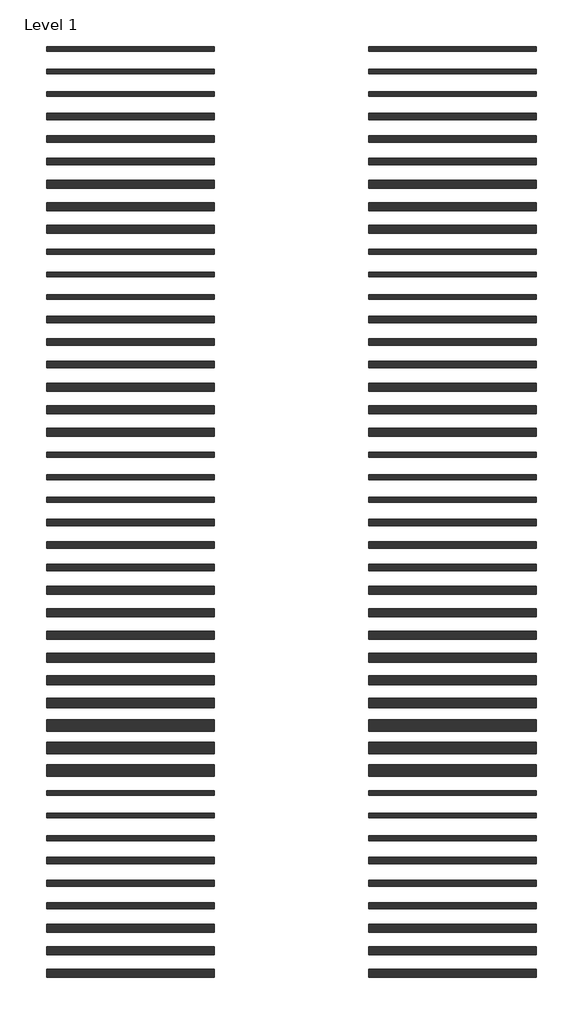
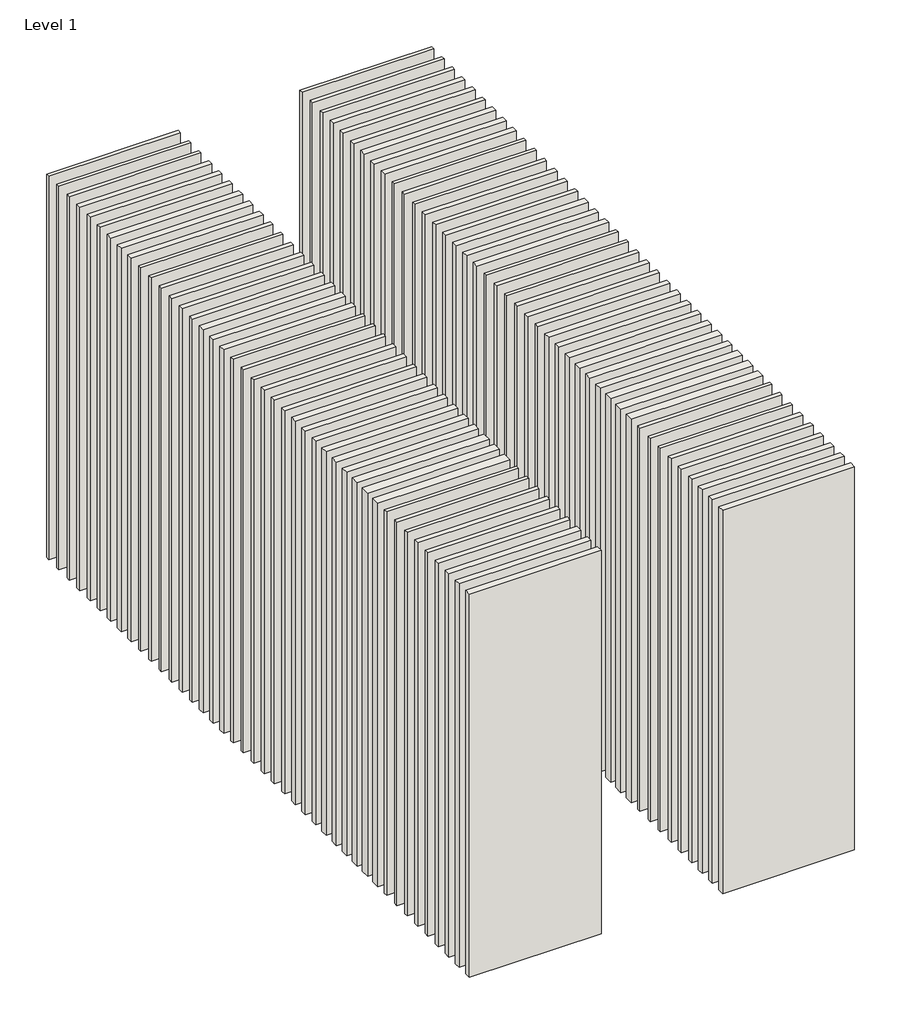
# One storey: 84 walls.
"""IFC4 building model written with IfcOpenShell, lengths in millimetres."""

import ifcopenshell
import ifcopenshell.guid

model = None  # the IFC model being written
_history = None  # IfcOwnerHistory: only IFC2X3 demands one
_inside = {}  # id of a spatial element -> (the spatial element, [elements in it])
_under = {}  # id of a project, library or spatial element -> (it, [spatial elements below it])
_declared = {}  # id of a project -> (the project, [libraries it declares])
_typed = {}  # id of a type object -> (the type object, [elements of that type])
_made_of = {}  # id of a material, layer set ... -> (it, [elements and type objects made of it])


def new_model(schema):
    """Start an empty IFC model of exactly this schema.

    Asked for "IFC4X3", IfcOpenShell would pick the latest addendum, in which some entities
    have other attributes; the version numbers below select the first issue.
    IFC2X3 requires an IfcOwnerHistory on every rooted entity: one is made here for all.
    """
    global model, _history
    if schema == "IFC4X3":
        model = ifcopenshell.file(schema_version=(4, 3, 0, 0))
    else:
        model = ifcopenshell.file(schema=schema)
    _inside.clear()
    _under.clear()
    _declared.clear()
    _typed.clear()
    _made_of.clear()
    _history = None
    if model.schema == "IFC2X3":
        org = make("IfcOrganization", Name="unknown")
        user = make(
            "IfcPersonAndOrganization",
            ThePerson=make("IfcPerson", FamilyName="unknown"),
            TheOrganization=org,
        )
        app = make(
            "IfcApplication",
            ApplicationDeveloper=org,
            Version="unknown",
            ApplicationFullName="unknown",
            ApplicationIdentifier="unknown",
        )
        _history = make(
            "IfcOwnerHistory",
            OwningUser=user,
            OwningApplication=app,
            ChangeAction="ADDED",
            CreationDate=0,
        )
    return model


def make(cls, **values):
    """One entity of the class cls with the attributes given. An attribute that is None is left unset."""
    return model.create_entity(
        cls, **{name: value for name, value in values.items() if value is not None}
    )


def rooted(cls, **values):
    """An entity with a GlobalId (a new one), such as an element, a storey or a relation."""
    return make(cls, GlobalId=ifcopenshell.guid.new(), OwnerHistory=_history, **values)


def si_unit(unit_type, name, prefix=None):
    """IfcSIUnit, for example si_unit("LENGTHUNIT", "METRE", prefix="MILLI")."""
    return make("IfcSIUnit", UnitType=unit_type, Prefix=prefix, Name=name)


def assignment(units):
    """IfcUnitAssignment: the units of a project."""
    return None if units is None else make("IfcUnitAssignment", Units=units)


def point(xyz):
    """IfcCartesianPoint."""
    return None if xyz is None else make("IfcCartesianPoint", Coordinates=xyz)


def direction(xyz):
    """IfcDirection."""
    return None if xyz is None else make("IfcDirection", DirectionRatios=xyz)


def frame(location, z_axis=None, x_axis=None):
    """IfcAxis2Placement3D, a coordinate frame: its origin and axes. An axis left out is left unset."""
    return make(
        "IfcAxis2Placement3D",
        Location=point(location),
        Axis=direction(z_axis),
        RefDirection=direction(x_axis),
    )


def origin():
    """The frame at (0, 0, 0) with its axes left unset."""
    return frame((0.0, 0.0, 0.0))


def origin_with_axes():
    """The frame at (0, 0, 0) with the z axis (0, 0, 1) and the x axis (1, 0, 0) written out."""
    return frame((0.0, 0.0, 0.0), z_axis=(0.0, 0.0, 1.0), x_axis=(1.0, 0.0, 0.0))


def place(relative_to, where):
    """IfcLocalPlacement: puts the frame where relative to a parent placement (None: the world)."""
    return make(
        "IfcLocalPlacement", PlacementRelTo=relative_to, RelativePlacement=where
    )


def context(
    kind, dimensions, precision=None, world=None, true_north=None, identifier=None
):
    """IfcGeometricRepresentationContext, for example the 3D "Model" context."""
    return make(
        "IfcGeometricRepresentationContext",
        ContextIdentifier=identifier,
        ContextType=kind,
        CoordinateSpaceDimension=dimensions,
        Precision=precision,
        WorldCoordinateSystem=world,
        TrueNorth=true_north,
    )


def project(units=None, contexts=None):
    """IfcProject with its units and contexts."""
    return rooted(
        "IfcProject",
        Name="project",
        RepresentationContexts=contexts,
        UnitsInContext=assignment(units),
    )


def spatial(cls, under=None, at=None, **own):
    """A site, building, storey or space (cls), placed at a placement, below another one or the project."""
    s = rooted(cls, ObjectPlacement=at, **own)
    if under is not None:
        _under.setdefault(under.id(), (under, []))[1].append(s)
    return s


def polyline(points):
    """IfcPolyline through the points."""
    return make("IfcPolyline", Points=[point(p) for p in points])


def outline(outer, holes=None, kind="AREA"):
    """IfcArbitraryClosedProfileDef: a profile drawn as a closed curve; with holes, ...WithVoids."""
    if holes is None:
        return make("IfcArbitraryClosedProfileDef", ProfileType=kind, OuterCurve=outer)
    return make(
        "IfcArbitraryProfileDefWithVoids",
        ProfileType=kind,
        OuterCurve=outer,
        InnerCurves=holes,
    )


def extrude(swept, where, along, depth):
    """IfcExtrudedAreaSolid: the profile swept, set in the frame where, extruded along a direction by depth."""
    return make(
        "IfcExtrudedAreaSolid",
        SweptArea=swept,
        Position=where,
        ExtrudedDirection=direction(along),
        Depth=depth,
    )


def shape(context_of_items, identifier, shape_type, items):
    """IfcShapeRepresentation: the items that make up one representation, for example the "Body"."""
    return make(
        "IfcShapeRepresentation",
        ContextOfItems=context_of_items,
        RepresentationIdentifier=identifier,
        RepresentationType=shape_type,
        Items=items,
    )


def made_of(thing, what):
    """Note that an element or type object is made of a material, layer set ...; save() writes the relation."""
    if what is not None:
        _made_of.setdefault(what.id(), (what, []))[1].append(thing)
    return thing


def element(
    cls,
    number,
    at=None,
    inside=None,
    cuts=None,
    type_object=None,
    material=None,
    context=None,
    identifier="Body",
    shape_type=None,
    held_by="IfcProductDefinitionShape",
    body=None,
    shapes=None,
    **own,
):
    """One element of the class cls, such as IfcWall. Its Tag is "e" and its number.

    at: its placement. inside: the storey or other place that contains it. cuts: it is an
    opening in that element (IfcRelVoidsElement). A single representation is given by context,
    identifier, shape_type and body (its items); several are given by shapes. held_by: the class
    of the entity that holds the representations. save() writes the other relations.
    """
    e = rooted(cls, Tag="e%d" % number, ObjectPlacement=at, **own)
    if body is not None:
        shapes = [shape(context, identifier, shape_type, body)]
    if shapes is not None:
        e.Representation = make(held_by, Representations=shapes)
    if inside is not None:
        _inside.setdefault(inside.id(), (inside, []))[1].append(e)
    if cuts is not None:
        rooted(
            "IfcRelVoidsElement", RelatingBuildingElement=cuts, RelatedOpeningElement=e
        )
    if type_object is not None:
        _typed.setdefault(type_object.id(), (type_object, []))[1].append(e)
    return made_of(e, material)


def aggregate(whole, parts):
    """IfcRelAggregates: a whole, such as a stair, and the parts it consists of."""
    return rooted("IfcRelAggregates", RelatingObject=whole, RelatedObjects=parts)


def save(model, path):
    """Write the relations noted so far, then the file.

    IfcRelAggregates (storeys below a building ...), IfcRelContainedInSpatialStructure (elements
    in a storey), IfcRelDefinesByType, IfcRelAssociatesMaterial and IfcRelDeclares: one each for
    every whole, place, type object, material and project.
    """
    for whole, parts in _under.values():
        aggregate(whole, parts)
    for where, things in _inside.values():
        rooted(
            "IfcRelContainedInSpatialStructure",
            RelatedElements=things,
            RelatingStructure=where,
        )
    for kind, things in _typed.values():
        rooted("IfcRelDefinesByType", RelatedObjects=things, RelatingType=kind)
    for what, things in _made_of.values():
        rooted("IfcRelAssociatesMaterial", RelatedObjects=things, RelatingMaterial=what)
    for by, libraries in _declared.values():
        rooted("IfcRelDeclares", RelatingContext=by, RelatedDefinitions=libraries)
    model.write(path)


model = new_model("IFC4")

# Units and contexts
model_context = context("Model", 3, world=origin())
ifc_project = project(units=[si_unit("LENGTHUNIT", "METRE", prefix="MILLI")], contexts=[model_context])

# Site, building, storey
site = spatial("IfcSite", under=ifc_project)
building = spatial("IfcBuilding", under=site)
storey = spatial("IfcBuildingStorey", under=building, Name="Level 1", Elevation=0.0)

# Walls
placement = place(None, origin())
element("IfcWall", 1, at=placement, inside=storey, context=model_context, shape_type="SweptSolid", body=[
    extrude(outline(polyline([(-16904.1464237, 3700.0198817), (-19504.1464237, 3700.0198817), (-19504.1464237, 3775.0198817), (-16904.1464237, 3775.0198817), (-16904.1464237, 3700.0198817)])), origin_with_axes(), (0.0, 0.0, 1.0), 8000.0),
])
element("IfcWall", 2, at=placement, inside=storey, context=model_context, shape_type="SweptSolid", body=[
    extrude(outline(polyline([(-16904.1464237, 3350.0198817), (-19504.1464237, 3350.0198817), (-19504.1464237, 3425.0198817), (-16904.1464237, 3425.0198817), (-16904.1464237, 3350.0198817)])), origin_with_axes(), (0.0, 0.0, 1.0), 8000.0),
])
element("IfcWall", 3, at=placement, inside=storey, context=model_context, shape_type="SweptSolid", body=[
    extrude(outline(polyline([(-16904.1464237, 3000.0198817), (-19504.1464237, 3000.0198817), (-19504.1464237, 3075.0198817), (-16904.1464237, 3075.0198817), (-16904.1464237, 3000.0198817)])), origin_with_axes(), (0.0, 0.0, 1.0), 8000.0),
])
element("IfcWall", 4, at=placement, inside=storey, context=model_context, shape_type="SweptSolid", body=[
    extrude(outline(polyline([(-16904.1464237, 2637.5198817), (-19504.1464237, 2637.5198817), (-19504.1464237, 2737.5198817), (-16904.1464237, 2737.5198817), (-16904.1464237, 2637.5198817)])), origin_with_axes(), (0.0, 0.0, 1.0), 8000.0),
])
element("IfcWall", 5, at=placement, inside=storey, context=model_context, shape_type="SweptSolid", body=[
    extrude(outline(polyline([(-16904.1464237, 2287.5198817), (-19504.1464237, 2287.5198817), (-19504.1464237, 2387.5198817), (-16904.1464237, 2387.5198817), (-16904.1464237, 2287.5198817)])), origin_with_axes(), (0.0, 0.0, 1.0), 8000.0),
])
element("IfcWall", 6, at=placement, inside=storey, context=model_context, shape_type="SweptSolid", body=[
    extrude(outline(polyline([(-16904.1464237, 1937.5198817), (-19504.1464237, 1937.5198817), (-19504.1464237, 2037.5198817), (-16904.1464237, 2037.5198817), (-16904.1464237, 1937.5198817)])), origin_with_axes(), (0.0, 0.0, 1.0), 8000.0),
])
element("IfcWall", 7, at=placement, inside=storey, context=model_context, shape_type="SweptSolid", body=[
    extrude(outline(polyline([(-16904.1464237, 1575.0198817), (-19504.1464237, 1575.0198817), (-19504.1464237, 1700.0198817), (-16904.1464237, 1700.0198817), (-16904.1464237, 1575.0198817)])), origin_with_axes(), (0.0, 0.0, 1.0), 8000.0),
])
element("IfcWall", 8, at=placement, inside=storey, context=model_context, shape_type="SweptSolid", body=[
    extrude(outline(polyline([(-16904.1464237, 1225.0198817), (-19504.1464237, 1225.0198817), (-19504.1464237, 1350.0198817), (-16904.1464237, 1350.0198817), (-16904.1464237, 1225.0198817)])), origin_with_axes(), (0.0, 0.0, 1.0), 8000.0),
])
element("IfcWall", 9, at=placement, inside=storey, context=model_context, shape_type="SweptSolid", body=[
    extrude(outline(polyline([(-16904.1464237, 875.0198817), (-19504.1464237, 875.0198817), (-19504.1464237, 1000.0198817), (-16904.1464237, 1000.0198817), (-16904.1464237, 875.0198817)])), origin_with_axes(), (0.0, 0.0, 1.0), 8000.0),
])
element("IfcWall", 10, at=placement, inside=storey, context=model_context, shape_type="SweptSolid", body=[
    extrude(outline(polyline([(-16904.1464237, 550.0198817), (-19504.1464237, 550.0198817), (-19504.1464237, 625.0198817), (-16904.1464237, 625.0198817), (-16904.1464237, 550.0198817)])), origin_with_axes(), (0.0, 0.0, 1.0), 8000.0),
])
element("IfcWall", 11, at=placement, inside=storey, context=model_context, shape_type="SweptSolid", body=[
    extrude(outline(polyline([(-16904.1464237, 200.0198817), (-19504.1464237, 200.0198817), (-19504.1464237, 275.0198817), (-16904.1464237, 275.0198817), (-16904.1464237, 200.0198817)])), origin_with_axes(), (0.0, 0.0, 1.0), 8000.0),
])
element("IfcWall", 12, at=placement, inside=storey, context=model_context, shape_type="SweptSolid", body=[
    extrude(outline(polyline([(-16904.1464237, -149.9801183), (-19504.1464237, -149.9801183), (-19504.1464237, -74.9801183), (-16904.1464237, -74.9801183), (-16904.1464237, -149.9801183)])), origin_with_axes(), (0.0, 0.0, 1.0), 8000.0),
])
element("IfcWall", 13, at=placement, inside=storey, context=model_context, shape_type="SweptSolid", body=[
    extrude(outline(polyline([(-16904.1464237, -512.4801183), (-19504.1464237, -512.4801183), (-19504.1464237, -412.4801183), (-16904.1464237, -412.4801183), (-16904.1464237, -512.4801183)])), origin_with_axes(), (0.0, 0.0, 1.0), 8000.0),
])
element("IfcWall", 14, at=placement, inside=storey, context=model_context, shape_type="SweptSolid", body=[
    extrude(outline(polyline([(-16904.1464237, -862.4801183), (-19504.1464237, -862.4801183), (-19504.1464237, -762.4801183), (-16904.1464237, -762.4801183), (-16904.1464237, -862.4801183)])), origin_with_axes(), (0.0, 0.0, 1.0), 8000.0),
])
element("IfcWall", 15, at=placement, inside=storey, context=model_context, shape_type="SweptSolid", body=[
    extrude(outline(polyline([(-16904.1464237, -1212.4801183), (-19504.1464237, -1212.4801183), (-19504.1464237, -1112.4801183), (-16904.1464237, -1112.4801183), (-16904.1464237, -1212.4801183)])), origin_with_axes(), (0.0, 0.0, 1.0), 8000.0),
])
element("IfcWall", 16, at=placement, inside=storey, context=model_context, shape_type="SweptSolid", body=[
    extrude(outline(polyline([(-16904.1464237, -1574.9801183), (-19504.1464237, -1574.9801183), (-19504.1464237, -1449.9801183), (-16904.1464237, -1449.9801183), (-16904.1464237, -1574.9801183)])), origin_with_axes(), (0.0, 0.0, 1.0), 8000.0),
])
element("IfcWall", 17, at=placement, inside=storey, context=model_context, shape_type="SweptSolid", body=[
    extrude(outline(polyline([(-16904.1464237, -1924.9801183), (-19504.1464237, -1924.9801183), (-19504.1464237, -1799.9801183), (-16904.1464237, -1799.9801183), (-16904.1464237, -1924.9801183)])), origin_with_axes(), (0.0, 0.0, 1.0), 8000.0),
])
element("IfcWall", 18, at=placement, inside=storey, context=model_context, shape_type="SweptSolid", body=[
    extrude(outline(polyline([(-16904.1464237, -2274.9801183), (-19504.1464237, -2274.9801183), (-19504.1464237, -2149.9801183), (-16904.1464237, -2149.9801183), (-16904.1464237, -2274.9801183)])), origin_with_axes(), (0.0, 0.0, 1.0), 8000.0),
])
element("IfcWall", 19, at=placement, inside=storey, context=model_context, shape_type="SweptSolid", body=[
    extrude(outline(polyline([(-16904.1464237, -2599.9801183), (-19504.1464237, -2599.9801183), (-19504.1464237, -2524.9801183), (-16904.1464237, -2524.9801183), (-16904.1464237, -2599.9801183)])), origin_with_axes(), (0.0, 0.0, 1.0), 8000.0),
])
element("IfcWall", 20, at=placement, inside=storey, context=model_context, shape_type="SweptSolid", body=[
    extrude(outline(polyline([(-16904.1464237, -2949.9801183), (-19504.1464237, -2949.9801183), (-19504.1464237, -2874.9801183), (-16904.1464237, -2874.9801183), (-16904.1464237, -2949.9801183)])), origin_with_axes(), (0.0, 0.0, 1.0), 8000.0),
])
element("IfcWall", 21, at=placement, inside=storey, context=model_context, shape_type="SweptSolid", body=[
    extrude(outline(polyline([(-16904.1464237, -3299.9801183), (-19504.1464237, -3299.9801183), (-19504.1464237, -3224.9801183), (-16904.1464237, -3224.9801183), (-16904.1464237, -3299.9801183)])), origin_with_axes(), (0.0, 0.0, 1.0), 8000.0),
])
element("IfcWall", 22, at=placement, inside=storey, context=model_context, shape_type="SweptSolid", body=[
    extrude(outline(polyline([(-16904.1464237, -3662.4801183), (-19504.1464237, -3662.4801183), (-19504.1464237, -3562.4801183), (-16904.1464237, -3562.4801183), (-16904.1464237, -3662.4801183)])), origin_with_axes(), (0.0, 0.0, 1.0), 8000.0),
])
element("IfcWall", 23, at=placement, inside=storey, context=model_context, shape_type="SweptSolid", body=[
    extrude(outline(polyline([(-16904.1464237, -4012.4801183), (-19504.1464237, -4012.4801183), (-19504.1464237, -3912.4801183), (-16904.1464237, -3912.4801183), (-16904.1464237, -4012.4801183)])), origin_with_axes(), (0.0, 0.0, 1.0), 8000.0),
])
element("IfcWall", 24, at=placement, inside=storey, context=model_context, shape_type="SweptSolid", body=[
    extrude(outline(polyline([(-16904.1464237, -4362.4801183), (-19504.1464237, -4362.4801183), (-19504.1464237, -4262.4801183), (-16904.1464237, -4262.4801183), (-16904.1464237, -4362.4801183)])), origin_with_axes(), (0.0, 0.0, 1.0), 8000.0),
])
element("IfcWall", 25, at=placement, inside=storey, context=model_context, shape_type="SweptSolid", body=[
    extrude(outline(polyline([(-16904.1464237, -4724.9801183), (-19504.1464237, -4724.9801183), (-19504.1464237, -4599.9801183), (-16904.1464237, -4599.9801183), (-16904.1464237, -4724.9801183)])), origin_with_axes(), (0.0, 0.0, 1.0), 8000.0),
])
element("IfcWall", 26, at=placement, inside=storey, context=model_context, shape_type="SweptSolid", body=[
    extrude(outline(polyline([(-16904.1464237, -5074.9801183), (-19504.1464237, -5074.9801183), (-19504.1464237, -4949.9801183), (-16904.1464237, -4949.9801183), (-16904.1464237, -5074.9801183)])), origin_with_axes(), (0.0, 0.0, 1.0), 8000.0),
])
element("IfcWall", 27, at=placement, inside=storey, context=model_context, shape_type="SweptSolid", body=[
    extrude(outline(polyline([(-16904.1464237, -5424.9801183), (-19504.1464237, -5424.9801183), (-19504.1464237, -5299.9801183), (-16904.1464237, -5299.9801183), (-16904.1464237, -5424.9801183)])), origin_with_axes(), (0.0, 0.0, 1.0), 8000.0),
])
element("IfcWall", 28, at=placement, inside=storey, context=model_context, shape_type="SweptSolid", body=[
    extrude(outline(polyline([(-16904.1464237, -5784.9801183), (-19504.1464237, -5784.9801183), (-19504.1464237, -5639.9801183), (-16904.1464237, -5639.9801183), (-16904.1464237, -5784.9801183)])), origin_with_axes(), (0.0, 0.0, 1.0), 8000.0),
])
element("IfcWall", 29, at=placement, inside=storey, context=model_context, shape_type="SweptSolid", body=[
    extrude(outline(polyline([(-16904.1464237, -6134.9801183), (-19504.1464237, -6134.9801183), (-19504.1464237, -5989.9801183), (-16904.1464237, -5989.9801183), (-16904.1464237, -6134.9801183)])), origin_with_axes(), (0.0, 0.0, 1.0), 8000.0),
])
element("IfcWall", 30, at=placement, inside=storey, context=model_context, shape_type="SweptSolid", body=[
    extrude(outline(polyline([(-16904.1464237, -6484.9801183), (-19504.1464237, -6484.9801183), (-19504.1464237, -6339.9801183), (-16904.1464237, -6339.9801183), (-16904.1464237, -6484.9801183)])), origin_with_axes(), (0.0, 0.0, 1.0), 8000.0),
])
element("IfcWall", 31, at=placement, inside=storey, context=model_context, shape_type="SweptSolid", body=[
    extrude(outline(polyline([(-16904.1464237, -6849.9801183), (-19504.1464237, -6849.9801183), (-19504.1464237, -6674.9801183), (-16904.1464237, -6674.9801183), (-16904.1464237, -6849.9801183)])), origin_with_axes(), (0.0, 0.0, 1.0), 8000.0),
])
element("IfcWall", 32, at=placement, inside=storey, context=model_context, shape_type="SweptSolid", body=[
    extrude(outline(polyline([(-16904.1464237, -7199.9801183), (-19504.1464237, -7199.9801183), (-19504.1464237, -7024.9801183), (-16904.1464237, -7024.9801183), (-16904.1464237, -7199.9801183)])), origin_with_axes(), (0.0, 0.0, 1.0), 8000.0),
])
element("IfcWall", 33, at=placement, inside=storey, context=model_context, shape_type="SweptSolid", body=[
    extrude(outline(polyline([(-16904.1464237, -7549.9801183), (-19504.1464237, -7549.9801183), (-19504.1464237, -7374.9801183), (-16904.1464237, -7374.9801183), (-16904.1464237, -7549.9801183)])), origin_with_axes(), (0.0, 0.0, 1.0), 8000.0),
])
element("IfcWall", 34, at=placement, inside=storey, context=model_context, shape_type="SweptSolid", body=[
    extrude(outline(polyline([(-16904.1464237, -7849.9801183), (-19504.1464237, -7849.9801183), (-19504.1464237, -7774.9801183), (-16904.1464237, -7774.9801183), (-16904.1464237, -7849.9801183)])), origin_with_axes(), (0.0, 0.0, 1.0), 8000.0),
])
element("IfcWall", 35, at=placement, inside=storey, context=model_context, shape_type="SweptSolid", body=[
    extrude(outline(polyline([(-16904.1464237, -8199.9801183), (-19504.1464237, -8199.9801183), (-19504.1464237, -8124.9801183), (-16904.1464237, -8124.9801183), (-16904.1464237, -8199.9801183)])), origin_with_axes(), (0.0, 0.0, 1.0), 8000.0),
])
element("IfcWall", 36, at=placement, inside=storey, context=model_context, shape_type="SweptSolid", body=[
    extrude(outline(polyline([(-16904.1464237, -8549.9801183), (-19504.1464237, -8549.9801183), (-19504.1464237, -8474.9801183), (-16904.1464237, -8474.9801183), (-16904.1464237, -8549.9801183)])), origin_with_axes(), (0.0, 0.0, 1.0), 8000.0),
])
element("IfcWall", 37, at=placement, inside=storey, context=model_context, shape_type="SweptSolid", body=[
    extrude(outline(polyline([(-16904.1464237, -8912.4801183), (-19504.1464237, -8912.4801183), (-19504.1464237, -8812.4801183), (-16904.1464237, -8812.4801183), (-16904.1464237, -8912.4801183)])), origin_with_axes(), (0.0, 0.0, 1.0), 8000.0),
])
element("IfcWall", 38, at=placement, inside=storey, context=model_context, shape_type="SweptSolid", body=[
    extrude(outline(polyline([(-16904.1464237, -9262.4801183), (-19504.1464237, -9262.4801183), (-19504.1464237, -9162.4801183), (-16904.1464237, -9162.4801183), (-16904.1464237, -9262.4801183)])), origin_with_axes(), (0.0, 0.0, 1.0), 8000.0),
])
element("IfcWall", 39, at=placement, inside=storey, context=model_context, shape_type="SweptSolid", body=[
    extrude(outline(polyline([(-16904.1464237, -9612.4801183), (-19504.1464237, -9612.4801183), (-19504.1464237, -9512.4801183), (-16904.1464237, -9512.4801183), (-16904.1464237, -9612.4801183)])), origin_with_axes(), (0.0, 0.0, 1.0), 8000.0),
])
element("IfcWall", 40, at=placement, inside=storey, context=model_context, shape_type="SweptSolid", body=[
    extrude(outline(polyline([(-16904.1464237, -9974.9801183), (-19504.1464237, -9974.9801183), (-19504.1464237, -9849.9801183), (-16904.1464237, -9849.9801183), (-16904.1464237, -9974.9801183)])), origin_with_axes(), (0.0, 0.0, 1.0), 8000.0),
])
element("IfcWall", 41, at=placement, inside=storey, context=model_context, shape_type="SweptSolid", body=[
    extrude(outline(polyline([(-16904.1464237, -10324.9801183), (-19504.1464237, -10324.9801183), (-19504.1464237, -10199.9801183), (-16904.1464237, -10199.9801183), (-16904.1464237, -10324.9801183)])), origin_with_axes(), (0.0, 0.0, 1.0), 8000.0),
])
element("IfcWall", 42, at=placement, inside=storey, context=model_context, shape_type="SweptSolid", body=[
    extrude(outline(polyline([(-16904.1464237, -10674.9801183), (-19504.1464237, -10674.9801183), (-19504.1464237, -10549.9801183), (-16904.1464237, -10549.9801183), (-16904.1464237, -10674.9801183)])), origin_with_axes(), (0.0, 0.0, 1.0), 8000.0),
])
element("IfcWall", 43, at=placement, inside=storey, context=model_context, shape_type="SweptSolid", body=[
    extrude(outline(polyline([(-11904.1464237, 3700.0198817), (-14504.1464237, 3700.0198817), (-14504.1464237, 3775.0198817), (-11904.1464237, 3775.0198817), (-11904.1464237, 3700.0198817)])), origin_with_axes(), (0.0, 0.0, 1.0), 8000.0),
])
element("IfcWall", 44, at=placement, inside=storey, context=model_context, shape_type="SweptSolid", body=[
    extrude(outline(polyline([(-11904.1464237, 3350.0198817), (-14504.1464237, 3350.0198817), (-14504.1464237, 3425.0198817), (-11904.1464237, 3425.0198817), (-11904.1464237, 3350.0198817)])), origin_with_axes(), (0.0, 0.0, 1.0), 8000.0),
])
element("IfcWall", 45, at=placement, inside=storey, context=model_context, shape_type="SweptSolid", body=[
    extrude(outline(polyline([(-11904.1464237, 3000.0198817), (-14504.1464237, 3000.0198817), (-14504.1464237, 3075.0198817), (-11904.1464237, 3075.0198817), (-11904.1464237, 3000.0198817)])), origin_with_axes(), (0.0, 0.0, 1.0), 8000.0),
])
element("IfcWall", 46, at=placement, inside=storey, context=model_context, shape_type="SweptSolid", body=[
    extrude(outline(polyline([(-11904.1464237, 2637.5198817), (-14504.1464237, 2637.5198817), (-14504.1464237, 2737.5198817), (-11904.1464237, 2737.5198817), (-11904.1464237, 2637.5198817)])), origin_with_axes(), (0.0, 0.0, 1.0), 8000.0),
])
element("IfcWall", 47, at=placement, inside=storey, context=model_context, shape_type="SweptSolid", body=[
    extrude(outline(polyline([(-11904.1464237, 2287.5198817), (-14504.1464237, 2287.5198817), (-14504.1464237, 2387.5198817), (-11904.1464237, 2387.5198817), (-11904.1464237, 2287.5198817)])), origin_with_axes(), (0.0, 0.0, 1.0), 8000.0),
])
element("IfcWall", 48, at=placement, inside=storey, context=model_context, shape_type="SweptSolid", body=[
    extrude(outline(polyline([(-11904.1464237, 1937.5198817), (-14504.1464237, 1937.5198817), (-14504.1464237, 2037.5198817), (-11904.1464237, 2037.5198817), (-11904.1464237, 1937.5198817)])), origin_with_axes(), (0.0, 0.0, 1.0), 8000.0),
])
element("IfcWall", 49, at=placement, inside=storey, context=model_context, shape_type="SweptSolid", body=[
    extrude(outline(polyline([(-11904.1464237, 1575.0198817), (-14504.1464237, 1575.0198817), (-14504.1464237, 1700.0198817), (-11904.1464237, 1700.0198817), (-11904.1464237, 1575.0198817)])), origin_with_axes(), (0.0, 0.0, 1.0), 8000.0),
])
element("IfcWall", 50, at=placement, inside=storey, context=model_context, shape_type="SweptSolid", body=[
    extrude(outline(polyline([(-11904.1464237, 1225.0198817), (-14504.1464237, 1225.0198817), (-14504.1464237, 1350.0198817), (-11904.1464237, 1350.0198817), (-11904.1464237, 1225.0198817)])), origin_with_axes(), (0.0, 0.0, 1.0), 8000.0),
])
element("IfcWall", 51, at=placement, inside=storey, context=model_context, shape_type="SweptSolid", body=[
    extrude(outline(polyline([(-11904.1464237, 875.0198817), (-14504.1464237, 875.0198817), (-14504.1464237, 1000.0198817), (-11904.1464237, 1000.0198817), (-11904.1464237, 875.0198817)])), origin_with_axes(), (0.0, 0.0, 1.0), 8000.0),
])
element("IfcWall", 52, at=placement, inside=storey, context=model_context, shape_type="SweptSolid", body=[
    extrude(outline(polyline([(-11904.1464237, 550.0198817), (-14504.1464237, 550.0198817), (-14504.1464237, 625.0198817), (-11904.1464237, 625.0198817), (-11904.1464237, 550.0198817)])), origin_with_axes(), (0.0, 0.0, 1.0), 8000.0),
])
element("IfcWall", 53, at=placement, inside=storey, context=model_context, shape_type="SweptSolid", body=[
    extrude(outline(polyline([(-11904.1464237, 200.0198817), (-14504.1464237, 200.0198817), (-14504.1464237, 275.0198817), (-11904.1464237, 275.0198817), (-11904.1464237, 200.0198817)])), origin_with_axes(), (0.0, 0.0, 1.0), 8000.0),
])
element("IfcWall", 54, at=placement, inside=storey, context=model_context, shape_type="SweptSolid", body=[
    extrude(outline(polyline([(-11904.1464237, -149.9801183), (-14504.1464237, -149.9801183), (-14504.1464237, -74.9801183), (-11904.1464237, -74.9801183), (-11904.1464237, -149.9801183)])), origin_with_axes(), (0.0, 0.0, 1.0), 8000.0),
])
element("IfcWall", 55, at=placement, inside=storey, context=model_context, shape_type="SweptSolid", body=[
    extrude(outline(polyline([(-11904.1464237, -512.4801183), (-14504.1464237, -512.4801183), (-14504.1464237, -412.4801183), (-11904.1464237, -412.4801183), (-11904.1464237, -512.4801183)])), origin_with_axes(), (0.0, 0.0, 1.0), 8000.0),
])
element("IfcWall", 56, at=placement, inside=storey, context=model_context, shape_type="SweptSolid", body=[
    extrude(outline(polyline([(-11904.1464237, -862.4801183), (-14504.1464237, -862.4801183), (-14504.1464237, -762.4801183), (-11904.1464237, -762.4801183), (-11904.1464237, -862.4801183)])), origin_with_axes(), (0.0, 0.0, 1.0), 8000.0),
])
element("IfcWall", 57, at=placement, inside=storey, context=model_context, shape_type="SweptSolid", body=[
    extrude(outline(polyline([(-11904.1464237, -1212.4801183), (-14504.1464237, -1212.4801183), (-14504.1464237, -1112.4801183), (-11904.1464237, -1112.4801183), (-11904.1464237, -1212.4801183)])), origin_with_axes(), (0.0, 0.0, 1.0), 8000.0),
])
element("IfcWall", 58, at=placement, inside=storey, context=model_context, shape_type="SweptSolid", body=[
    extrude(outline(polyline([(-11904.1464237, -1574.9801183), (-14504.1464237, -1574.9801183), (-14504.1464237, -1449.9801183), (-11904.1464237, -1449.9801183), (-11904.1464237, -1574.9801183)])), origin_with_axes(), (0.0, 0.0, 1.0), 8000.0),
])
element("IfcWall", 59, at=placement, inside=storey, context=model_context, shape_type="SweptSolid", body=[
    extrude(outline(polyline([(-11904.1464237, -1924.9801183), (-14504.1464237, -1924.9801183), (-14504.1464237, -1799.9801183), (-11904.1464237, -1799.9801183), (-11904.1464237, -1924.9801183)])), origin_with_axes(), (0.0, 0.0, 1.0), 8000.0),
])
element("IfcWall", 60, at=placement, inside=storey, context=model_context, shape_type="SweptSolid", body=[
    extrude(outline(polyline([(-11904.1464237, -2274.9801183), (-14504.1464237, -2274.9801183), (-14504.1464237, -2149.9801183), (-11904.1464237, -2149.9801183), (-11904.1464237, -2274.9801183)])), origin_with_axes(), (0.0, 0.0, 1.0), 8000.0),
])
element("IfcWall", 61, at=placement, inside=storey, context=model_context, shape_type="SweptSolid", body=[
    extrude(outline(polyline([(-11904.1464237, -2599.9801183), (-14504.1464237, -2599.9801183), (-14504.1464237, -2524.9801183), (-11904.1464237, -2524.9801183), (-11904.1464237, -2599.9801183)])), origin_with_axes(), (0.0, 0.0, 1.0), 8000.0),
])
element("IfcWall", 62, at=placement, inside=storey, context=model_context, shape_type="SweptSolid", body=[
    extrude(outline(polyline([(-11904.1464237, -2949.9801183), (-14504.1464237, -2949.9801183), (-14504.1464237, -2874.9801183), (-11904.1464237, -2874.9801183), (-11904.1464237, -2949.9801183)])), origin_with_axes(), (0.0, 0.0, 1.0), 8000.0),
])
element("IfcWall", 63, at=placement, inside=storey, context=model_context, shape_type="SweptSolid", body=[
    extrude(outline(polyline([(-11904.1464237, -3299.9801183), (-14504.1464237, -3299.9801183), (-14504.1464237, -3224.9801183), (-11904.1464237, -3224.9801183), (-11904.1464237, -3299.9801183)])), origin_with_axes(), (0.0, 0.0, 1.0), 8000.0),
])
element("IfcWall", 64, at=placement, inside=storey, context=model_context, shape_type="SweptSolid", body=[
    extrude(outline(polyline([(-11904.1464237, -3662.4801183), (-14504.1464237, -3662.4801183), (-14504.1464237, -3562.4801183), (-11904.1464237, -3562.4801183), (-11904.1464237, -3662.4801183)])), origin_with_axes(), (0.0, 0.0, 1.0), 8000.0),
])
element("IfcWall", 65, at=placement, inside=storey, context=model_context, shape_type="SweptSolid", body=[
    extrude(outline(polyline([(-11904.1464237, -4012.4801183), (-14504.1464237, -4012.4801183), (-14504.1464237, -3912.4801183), (-11904.1464237, -3912.4801183), (-11904.1464237, -4012.4801183)])), origin_with_axes(), (0.0, 0.0, 1.0), 8000.0),
])
element("IfcWall", 66, at=placement, inside=storey, context=model_context, shape_type="SweptSolid", body=[
    extrude(outline(polyline([(-11904.1464237, -4362.4801183), (-14504.1464237, -4362.4801183), (-14504.1464237, -4262.4801183), (-11904.1464237, -4262.4801183), (-11904.1464237, -4362.4801183)])), origin_with_axes(), (0.0, 0.0, 1.0), 8000.0),
])
element("IfcWall", 67, at=placement, inside=storey, context=model_context, shape_type="SweptSolid", body=[
    extrude(outline(polyline([(-11904.1464237, -4724.9801183), (-14504.1464237, -4724.9801183), (-14504.1464237, -4599.9801183), (-11904.1464237, -4599.9801183), (-11904.1464237, -4724.9801183)])), origin_with_axes(), (0.0, 0.0, 1.0), 8000.0),
])
element("IfcWall", 68, at=placement, inside=storey, context=model_context, shape_type="SweptSolid", body=[
    extrude(outline(polyline([(-11904.1464237, -5074.9801183), (-14504.1464237, -5074.9801183), (-14504.1464237, -4949.9801183), (-11904.1464237, -4949.9801183), (-11904.1464237, -5074.9801183)])), origin_with_axes(), (0.0, 0.0, 1.0), 8000.0),
])
element("IfcWall", 69, at=placement, inside=storey, context=model_context, shape_type="SweptSolid", body=[
    extrude(outline(polyline([(-11904.1464237, -5424.9801183), (-14504.1464237, -5424.9801183), (-14504.1464237, -5299.9801183), (-11904.1464237, -5299.9801183), (-11904.1464237, -5424.9801183)])), origin_with_axes(), (0.0, 0.0, 1.0), 8000.0),
])
element("IfcWall", 70, at=placement, inside=storey, context=model_context, shape_type="SweptSolid", body=[
    extrude(outline(polyline([(-11904.1464237, -5784.9801183), (-14504.1464237, -5784.9801183), (-14504.1464237, -5639.9801183), (-11904.1464237, -5639.9801183), (-11904.1464237, -5784.9801183)])), origin_with_axes(), (0.0, 0.0, 1.0), 8000.0),
])
element("IfcWall", 71, at=placement, inside=storey, context=model_context, shape_type="SweptSolid", body=[
    extrude(outline(polyline([(-11904.1464237, -6134.9801183), (-14504.1464237, -6134.9801183), (-14504.1464237, -5989.9801183), (-11904.1464237, -5989.9801183), (-11904.1464237, -6134.9801183)])), origin_with_axes(), (0.0, 0.0, 1.0), 8000.0),
])
element("IfcWall", 72, at=placement, inside=storey, context=model_context, shape_type="SweptSolid", body=[
    extrude(outline(polyline([(-11904.1464237, -6484.9801183), (-14504.1464237, -6484.9801183), (-14504.1464237, -6339.9801183), (-11904.1464237, -6339.9801183), (-11904.1464237, -6484.9801183)])), origin_with_axes(), (0.0, 0.0, 1.0), 8000.0),
])
element("IfcWall", 73, at=placement, inside=storey, context=model_context, shape_type="SweptSolid", body=[
    extrude(outline(polyline([(-11904.1464237, -6849.9801183), (-14504.1464237, -6849.9801183), (-14504.1464237, -6674.9801183), (-11904.1464237, -6674.9801183), (-11904.1464237, -6849.9801183)])), origin_with_axes(), (0.0, 0.0, 1.0), 8000.0),
])
element("IfcWall", 74, at=placement, inside=storey, context=model_context, shape_type="SweptSolid", body=[
    extrude(outline(polyline([(-11904.1464237, -7199.9801183), (-14504.1464237, -7199.9801183), (-14504.1464237, -7024.9801183), (-11904.1464237, -7024.9801183), (-11904.1464237, -7199.9801183)])), origin_with_axes(), (0.0, 0.0, 1.0), 8000.0),
])
element("IfcWall", 75, at=placement, inside=storey, context=model_context, shape_type="SweptSolid", body=[
    extrude(outline(polyline([(-11904.1464237, -7549.9801183), (-14504.1464237, -7549.9801183), (-14504.1464237, -7374.9801183), (-11904.1464237, -7374.9801183), (-11904.1464237, -7549.9801183)])), origin_with_axes(), (0.0, 0.0, 1.0), 8000.0),
])
element("IfcWall", 76, at=placement, inside=storey, context=model_context, shape_type="SweptSolid", body=[
    extrude(outline(polyline([(-11904.1464237, -7849.9801183), (-14504.1464237, -7849.9801183), (-14504.1464237, -7774.9801183), (-11904.1464237, -7774.9801183), (-11904.1464237, -7849.9801183)])), origin_with_axes(), (0.0, 0.0, 1.0), 8000.0),
])
element("IfcWall", 77, at=placement, inside=storey, context=model_context, shape_type="SweptSolid", body=[
    extrude(outline(polyline([(-11904.1464237, -8199.9801183), (-14504.1464237, -8199.9801183), (-14504.1464237, -8124.9801183), (-11904.1464237, -8124.9801183), (-11904.1464237, -8199.9801183)])), origin_with_axes(), (0.0, 0.0, 1.0), 8000.0),
])
element("IfcWall", 78, at=placement, inside=storey, context=model_context, shape_type="SweptSolid", body=[
    extrude(outline(polyline([(-11904.1464237, -8549.9801183), (-14504.1464237, -8549.9801183), (-14504.1464237, -8474.9801183), (-11904.1464237, -8474.9801183), (-11904.1464237, -8549.9801183)])), origin_with_axes(), (0.0, 0.0, 1.0), 8000.0),
])
element("IfcWall", 79, at=placement, inside=storey, context=model_context, shape_type="SweptSolid", body=[
    extrude(outline(polyline([(-11904.1464237, -8912.4801183), (-14504.1464237, -8912.4801183), (-14504.1464237, -8812.4801183), (-11904.1464237, -8812.4801183), (-11904.1464237, -8912.4801183)])), origin_with_axes(), (0.0, 0.0, 1.0), 8000.0),
])
element("IfcWall", 80, at=placement, inside=storey, context=model_context, shape_type="SweptSolid", body=[
    extrude(outline(polyline([(-11904.1464237, -9262.4801183), (-14504.1464237, -9262.4801183), (-14504.1464237, -9162.4801183), (-11904.1464237, -9162.4801183), (-11904.1464237, -9262.4801183)])), origin_with_axes(), (0.0, 0.0, 1.0), 8000.0),
])
element("IfcWall", 81, at=placement, inside=storey, context=model_context, shape_type="SweptSolid", body=[
    extrude(outline(polyline([(-11904.1464237, -9612.4801183), (-14504.1464237, -9612.4801183), (-14504.1464237, -9512.4801183), (-11904.1464237, -9512.4801183), (-11904.1464237, -9612.4801183)])), origin_with_axes(), (0.0, 0.0, 1.0), 8000.0),
])
element("IfcWall", 82, at=placement, inside=storey, context=model_context, shape_type="SweptSolid", body=[
    extrude(outline(polyline([(-11904.1464237, -9974.9801183), (-14504.1464237, -9974.9801183), (-14504.1464237, -9849.9801183), (-11904.1464237, -9849.9801183), (-11904.1464237, -9974.9801183)])), origin_with_axes(), (0.0, 0.0, 1.0), 8000.0),
])
element("IfcWall", 83, at=placement, inside=storey, context=model_context, shape_type="SweptSolid", body=[
    extrude(outline(polyline([(-11904.1464237, -10324.9801183), (-14504.1464237, -10324.9801183), (-14504.1464237, -10199.9801183), (-11904.1464237, -10199.9801183), (-11904.1464237, -10324.9801183)])), origin_with_axes(), (0.0, 0.0, 1.0), 8000.0),
])
element("IfcWall", 84, at=placement, inside=storey, context=model_context, shape_type="SweptSolid", body=[
    extrude(outline(polyline([(-11904.1464237, -10674.9801183), (-14504.1464237, -10674.9801183), (-14504.1464237, -10549.9801183), (-11904.1464237, -10549.9801183), (-11904.1464237, -10674.9801183)])), origin_with_axes(), (0.0, 0.0, 1.0), 8000.0),
])

save(model, "model.ifc")
